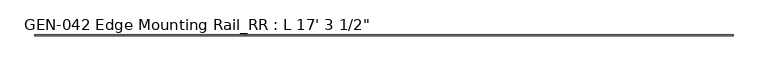
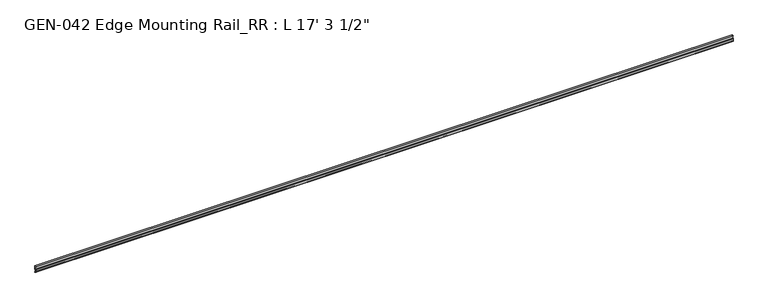
"""IFC4 building model written with IfcOpenShell, lengths in millimetres: proxy geometry."""

from ifc_helpers import new_model, si_unit, point, frame, frame_2d, origin, place, context, project, spatial, polyline, circle_curve, trimmed, segment, composite_curve, outline, extrude, source, transform, mapped, element, save


def proxy_c66b1ce0(model_context):
    return source(origin(), model_context, "Body", "SweptSolid", [
        extrude(outline(composite_curve([segment(polyline([(-13.6400687, -32.1158903), (-15.4750158, -32.6885982)]), True, "CONTINUOUS"), segment(trimmed(circle_curve(frame_2d((-15.6853088, -32.2686835)), 0.4696291), [point((-15.4750158, -32.6885982))], [point((-16.1549378, -32.2686835))], False, "CARTESIAN"), True, "CONTINUOUS"), segment(polyline([(-16.1549378, -32.2686835), (-16.1549378, -30.7270734)]), True, "CONTINUOUS"), segment(trimmed(circle_curve(frame_2d((-17.7424378, -30.7270734)), 1.5875), [point((-16.1549378, -30.7270734))], [point((-17.7424378, -29.1395734))], True, "CARTESIAN"), True, "CONTINUOUS"), segment(polyline([(-17.7424378, -29.1395734), (-19.05, -29.1395734), (-19.05, -8.5020734)]), True, "CONTINUOUS"), segment(trimmed(circle_curve(frame_2d((-17.4625, -8.5020734)), 1.5875), [point((-19.05, -8.5020734))], [point((-17.4625, -6.9145734))], False, "CARTESIAN"), True, "CONTINUOUS"), segment(polyline([(-17.4625, -6.9145734), (-12.7, -6.9145734), (-12.7, 15.2917515), (-17.4625, 15.2917515), (-17.4625, 13.7042515), (-19.05, 13.7042515), (-19.05, 16.8792515), (-11.1125, 16.8792515), (-11.1125, -8.5248329), (-15.875, -8.5248329)]), True, "CONTINUOUS"), segment(trimmed(circle_curve(frame_2d((-15.875, -10.1123329)), 1.5875), [point((-15.875, -8.5248329))], [point((-17.4625, -10.1123329))], True, "CARTESIAN"), True, "CONTINUOUS"), segment(polyline([(-17.4625, -10.1123329), (-17.4625, -12.4909614), (-17.9716639, -13.408381), (-17.9716639, -14.7485418), (-17.4625, -15.6659614), (-17.4625, -26.8535734)]), True, "CONTINUOUS"), segment(trimmed(circle_curve(frame_2d((-16.9545, -26.8535734)), 0.508), [point((-17.4625, -26.8535734))], [point((-16.9376166, -27.3612928))], True, "CARTESIAN"), True, "CONTINUOUS"), segment(trimmed(circle_curve(frame_2d((-16.9169378, -26.5995734)), 0.762), [point((-16.9376166, -27.3612928))], [point((-16.1779173, -26.4138515))], True, "CARTESIAN"), True, "CONTINUOUS"), segment(trimmed(circle_curve(frame_2d((-15.6245238, -26.2747792)), 0.5706009), [point((-16.1779173, -26.4138515))], [point((-15.4364113, -25.7360779))], False, "CARTESIAN"), True, "CONTINUOUS"), segment(polyline([(-15.4364113, -25.7360779), (-13.6400687, -26.2967369)]), True, "CONTINUOUS"), segment(trimmed(circle_curve(frame_2d((-14.5481808, -29.2063136)), 3.048), [point((-13.6400687, -26.2967369))], [point((-11.9462301, -30.7938136))], False, "CARTESIAN"), True, "CONTINUOUS"), segment(trimmed(circle_curve(frame_2d((-14.5481808, -29.2063136)), 3.048), [point((-11.9462301, -30.7938136))], [point((-13.6400687, -32.1158903))], False, "CARTESIAN"), True, "CONTINUOUS")], self_intersect=False)), frame((-4965.7, 0.0, 0.0), z_axis=(1.0, 0.0, 0.0), x_axis=(0.0, 1.0, 0.0)), (0.0, 0.0, 1.0), 5270.5),
    ])


if __name__ == "__main__":
    model = new_model("IFC4")
    model_context = context("Model", 3, world=origin())
    ifc_project = project(units=[si_unit("LENGTHUNIT", "METRE", prefix="MILLI")], contexts=[model_context])
    site = spatial("IfcSite", under=ifc_project)
    building = spatial("IfcBuilding", under=site)
    placement = place(None, origin())
    proxy_shape = proxy_c66b1ce0(model_context)
    element("IfcBuildingElementProxy", 1, Name="GEN-042 Edge Mounting Rail_RR : L 17' 3 1/2\"", ObjectType="GEN-042 Edge Mounting Rail_RR : L 17' 3 1/2\"", at=placement, inside=building, context=model_context, shape_type="MappedRepresentation", body=[
        mapped(proxy_shape, transform((0.0, 0.0, 0.0), x_axis=(1.0, 0.0, 0.0), y_axis=(0.0, 1.0, 0.0), z_axis=(0.0, 0.0, 1.0))),
    ])
    save(model, "model.ifc")
